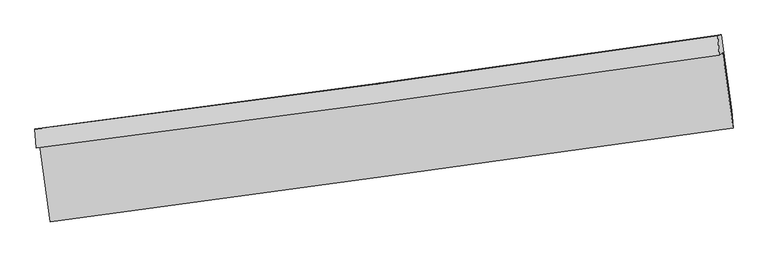
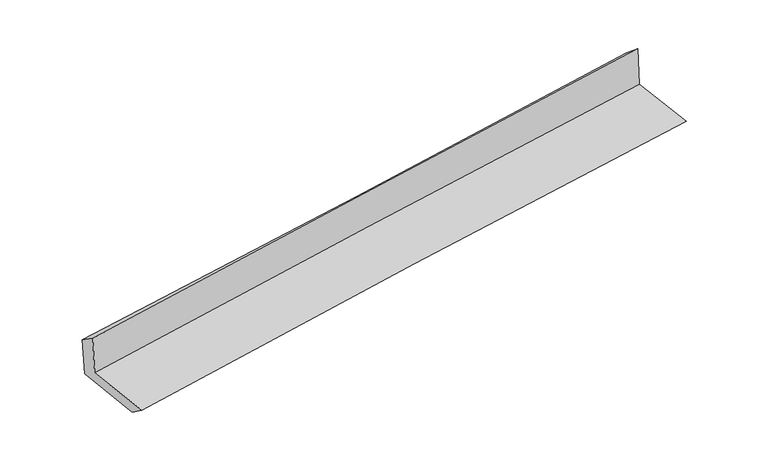
"""IFC4 building model written with IfcOpenShell, lengths in millimetres: proxy geometry."""

from ifc_helpers import new_model, si_unit, frame, origin, place, context, project, spatial, source, transform, mapped, element, save
from ifc_brep_helpers import plane_surface, spline_curve, spline_surface, advanced_brep


def generic_models_e439418d(model_context):
    return source(origin(), model_context, "Body", "AdvancedBrep", [
        advanced_brep(
        [(-2983.9770133, -1903.6698961, 1649.8322563), (-2892.3962936, -2564.8008225, 1623.1387927), (3030.6237904, -1750.0102674, 2116.5657694), (2939.4003601, -1097.0488513, 2142.8719446), (-3012.7604684, -1923.3239861, 2037.8642237), (2909.9668469, -1117.1468179, 2539.6673963), (-3025.9252538, -1758.9366654, 1925.9461669), (2898.1004912, -946.9082807, 2399.5611789), (-2996.7278649, -1753.0644089, 1555.8098145), (2927.6149327, -940.973244, 2025.5982995), (-2904.0560512, -2415.4042856, 1517.6687324), (3020.2703896, -1597.6245772, 1987.8408212)],
        [
            (0, 1),
            (1, 2, spline_curve(3, [(-2892.3962936, -2564.8008225, 1623.1387927), (-1905.967500947, -2433.811835733, 1722.535222488), (-919.16640704, -2300.417889107, 1813.352463541), (1055.173626265, -2028.821004371, 1977.828005258), (2042.712560094, -1890.618099638, 2051.486422899), (3030.6237904, -1750.0102674, 2116.5657694)], [4, 2, 4], [0.0, 9.84089023574916, 19.681713100901796])),
            (2, 3),
            (3, 0, spline_curve(3, [(2939.4003601, -1097.0488513, 2142.8719446), (1951.971840525, -1240.204493899, 2077.699356302), (964.644489128, -1379.000520537, 2004.026591061), (-1009.814636911, -1647.874261819, 1839.68014498), (-1996.946409861, -1777.951916811, 1749.006347247), (-2983.9770133, -1903.6698961, 1649.8322563)], [4, 2, 4], [0.0, 9.840822865152635, 19.681713100901796])),
            (4, 0),
            (3, 5),
            (5, 4, spline_curve(3, [(2909.9668469, -1117.1468179, 2539.6673963), (1923.109623972, -1259.912364263, 2466.79311474), (936.1220928, -1398.476352759, 2388.539204299), (-1038.120343642, -1667.202132891, 2221.271553743), (-2025.375251134, -1797.36386726, 2132.257739828), (-3012.7604684, -1923.3239861, 2037.8642237)], [4, 2, 4], [0.0, 9.840112835339534, 19.680293036414707])),
            (6, 4),
            (5, 7),
            (7, 6, spline_curve(3, [(2898.1004912, -946.9082807, 2399.5611789), (1912.071058155, -1091.942472857, 2320.681520987), (925.389221488, -1232.128385765, 2241.773909906), (-1049.286017811, -1502.804580561, 2083.902239498), (-2037.279429757, -1633.294795727, 2004.938180106), (-3025.9252538, -1758.9366654, 1925.9461669)], [4, 2, 4], [0.0, 9.839737685102989, 19.679542733373324])),
            (8, 6),
            (7, 9),
            (9, 8, spline_curve(3, [(2927.6149327, -940.973244, 2025.5982995), (1941.100597245, -1086.104789221, 1952.831904015), (954.14988755, -1226.344610571, 1877.299809391), (-1020.631039035, -1497.041732626, 1720.703685779), (-2008.461261892, -1627.498965954, 1639.639618542), (-2996.7278649, -1753.0644089, 1555.8098145)], [4, 2, 4], [0.0, 9.839615626325147, 19.679298614982024])),
            (10, 8),
            (9, 11),
            (11, 10, spline_curve(3, [(3020.2703896, -1597.6245772, 1987.8408212), (2033.066248932, -1738.767635111, 1915.294636545), (1045.771998623, -1877.487248215, 1839.840680718), (-929.003480289, -2150.080517273, 1683.116691015), (-1916.48471041, -2283.954140436, 1601.846617279), (-2904.0560512, -2415.4042856, 1517.6687324)], [4, 2, 4], [0.0, 9.84025133655134, 19.680570039786502])),
            (1, 10),
            (11, 2),
        ],
        [
            spline_surface(3, 3, [[(-2983.9770133, -1903.6698961, 1649.8322563), (-1996.946409699, -1777.951916834, 1749.006347211), (-1009.814636823, -1647.874261819, 1839.680144822), (964.644489041, -1379.000520537, 2004.02659122), (1951.971840608, -1240.204493931, 2077.699356343), (2939.4003601, -1097.0488513, 2142.8719446)], [(-2953.450106748, -2124.046871581, 1640.934435103), (-1966.620106815, -1996.571889867, 1740.182639026), (-979.598560204, -1865.388804237, 1830.904251099), (994.820868074, -1595.607348501, 1995.293729178), (1982.218747082, -1457.009029135, 2068.96171188), (2969.808170182, -1314.702656656, 2134.103219527)], [(-2922.923200152, -2344.423847019, 1632.036613897), (-1936.293803887, -2215.191862855, 1731.35893083), (-949.38248356, -2082.903346642, 1822.128357402), (1024.997247132, -1812.214176453, 1986.560867162), (2012.465653611, -1673.813564369, 2060.224067436), (3000.215980318, -1532.356462044, 2125.334494473)], [(-2892.3962936, -2564.8008225, 1623.1387927), (-1905.967501003, -2433.811835887, 1722.535222645), (-919.166406941, -2300.41788906, 1813.352463679), (1055.173626166, -2028.821004417, 1977.82800512), (2042.712560086, -1890.618099573, 2051.486422973), (3030.6237904, -1750.0102674, 2116.5657694)]], [4, 4], [4, 2, 4], [0.0, 2.158718216204151], [0.0, 9.84089023574916, 19.681713100901796]),
            spline_surface(3, 3, [[(-3012.7604684, -1923.3239861, 2037.8642237), (-2025.375251082, -1797.363867386, 2132.257739859), (-1038.120343739, -1667.202132952, 2221.271553762), (936.122092898, -1398.476352698, 2388.53920428), (1923.109624014, -1259.912364384, 2466.793114625), (2909.9668469, -1117.1468179, 2539.6673963)], [(-3003.165983378, -1916.772622769, 1908.520234539), (-2015.898970632, -1790.893217205, 2004.507275615), (-1028.685108078, -1660.759509217, 2094.074417467), (945.629558301, -1391.98440862, 2260.368333278), (1932.730362892, -1253.343074239, 2337.09519521), (2919.778017981, -1110.447495706, 2407.402245746)], [(-2993.571498322, -1910.221259431, 1779.176245461), (-2006.422690149, -1784.422567016, 1876.756811455), (-1019.249872485, -1654.316885554, 1966.877281117), (955.137023637, -1385.492464614, 2132.197462221), (1942.351101729, -1246.773784076, 2207.397275757), (2929.589189019, -1103.748173494, 2275.137095154)], [(-2983.9770133, -1903.6698961, 1649.8322563), (-1996.946409699, -1777.951916834, 1749.006347211), (-1009.814636823, -1647.874261819, 1839.680144822), (964.644489041, -1379.000520537, 2004.02659122), (1951.971840608, -1240.204493931, 2077.699356343), (2939.4003601, -1097.0488513, 2142.8719446)]], [4, 4], [4, 2, 4], [0.0, 1.2617916828351192], [0.0, 9.840180201075173, 19.680293036414707]),
            spline_surface(3, 3, [[(-3025.9252538, -1758.9366654, 1925.9461669), (-2037.279429619, -1633.294795636, 2004.938180214), (-1049.286017852, -1502.804580482, 2083.90223955), (925.389221529, -1232.128385844, 2241.773909855), (1912.071058135, -1091.942472808, 2320.681521143), (2898.1004912, -946.9082807, 2399.5611789)], [(-3021.536992, -1813.732438956, 1963.252185857), (-2033.311370107, -1687.984486208, 2047.378033452), (-1045.564126502, -1557.603764651, 2129.69201096), (928.966845297, -1287.577708141, 2290.695674669), (1915.750580102, -1147.932436685, 2369.385385615), (2902.055943107, -1003.654459785, 2446.263251344)], [(-3017.1487302, -1868.528212544, 2000.558204743), (-2029.343310594, -1742.674176814, 2089.817886621), (-1041.842235088, -1612.402948783, 2175.481782352), (932.54446913, -1343.0270304, 2339.617439465), (1919.430102047, -1203.922400507, 2418.089250154), (2906.011394993, -1060.400638815, 2492.965323856)], [(-3012.7604684, -1923.3239861, 2037.8642237), (-2025.375251082, -1797.363867386, 2132.257739859), (-1038.120343739, -1667.202132952, 2221.271553762), (936.122092898, -1398.476352698, 2388.53920428), (1923.109624014, -1259.912364384, 2466.793114625), (2909.9668469, -1117.1468179, 2539.6673963)]], [4, 4], [4, 2, 4], [0.0, 0.716179198156274], [0.0, 9.839805048270335, 19.679542733373324]),
            spline_surface(3, 3, [[(-2996.7278649, -1753.0644089, 1555.8098145), (-2008.461261989, -1627.498966073, 1639.639618634), (-1020.631039022, -1497.041732582, 1720.70368568), (954.149887537, -1226.344610615, 1877.299809491), (1941.100597102, -1086.104789184, 1952.831904087), (2927.6149327, -940.973244, 2025.5982995)], [(-3006.460327846, -1755.021827734, 1679.188598628), (-2018.067317845, -1629.430909262, 1761.405805822), (-1030.182698627, -1498.962681898, 1841.769870303), (944.562998872, -1228.272535707, 1998.791176278), (1931.424084114, -1088.050683726, 2075.448443109), (2917.776785534, -942.951589567, 2150.252592637)], [(-3016.192790854, -1756.979246566, 1802.567382772), (-2027.673373763, -1631.362852448, 1883.171993026), (-1039.734358246, -1500.883631167, 1962.836054927), (934.976110194, -1230.200460752, 2120.282543067), (1921.747571124, -1089.996578266, 2198.064982121), (2907.938638366, -944.929935133, 2274.906885763)], [(-3025.9252538, -1758.9366654, 1925.9461669), (-2037.279429619, -1633.294795636, 2004.938180214), (-1049.286017852, -1502.804580482, 2083.90223955), (925.389221529, -1232.128385844, 2241.773909855), (1912.071058135, -1091.942472808, 2320.681521143), (2898.1004912, -946.9082807, 2399.5611789)]], [4, 4], [4, 2, 4], [0.0, 1.1975485373787582], [0.0, 9.839682988656877, 19.679298614982024]),
            spline_surface(3, 3, [[(-2904.0560512, -2415.4042856, 1517.6687324), (-1916.484710424, -2283.954140534, 1601.846617124), (-929.003480344, -2150.080517395, 1683.116690963), (1045.771998678, -1877.487248093, 1839.84068077), (2033.066248888, -1738.767635071, 1915.29463649), (3020.2703896, -1597.6245772, 1987.8408212)], [(-2934.946655777, -2194.624326719, 1530.382426446), (-1947.143560955, -2065.135749066, 1614.444284306), (-959.54599989, -1932.400922452, 1695.645689178), (1015.231294977, -1660.439702262, 1852.327056986), (2002.411031628, -1521.213353091, 1927.807059027), (2989.385237302, -1378.740799449, 2000.426647305)], [(-2965.837260323, -1973.844367781, 1543.096120454), (-1977.802411457, -1846.317357542, 1627.041951451), (-990.088519475, -1714.721327525, 1708.174687465), (984.690591238, -1443.392156447, 1864.813433274), (1971.755814362, -1303.659071164, 1940.319481549), (2958.500084998, -1159.857021751, 2013.012473395)], [(-2996.7278649, -1753.0644089, 1555.8098145), (-2008.461261989, -1627.498966073, 1639.639618634), (-1020.631039022, -1497.041732582, 1720.70368568), (954.149887537, -1226.344610615, 1877.299809491), (1941.100597102, -1086.104789184, 1952.831904087), (2927.6149327, -940.973244, 2025.5982995)]], [4, 4], [4, 2, 4], [0.0, 2.1639256864602485], [0.0, 9.840318703235162, 19.680570039786502]),
            spline_surface(3, 3, [[(-2892.3962936, -2564.8008225, 1623.1387927), (-1905.967501003, -2433.811835887, 1722.535222645), (-919.166406941, -2300.41788906, 1813.352463679), (1055.173626166, -2028.821004417, 1977.82800512), (2042.712560086, -1890.618099573, 2051.486422973), (3030.6237904, -1750.0102674, 2116.5657694)], [(-2896.282879452, -2515.001976841, 1587.982105928), (-1909.473237462, -2383.859270744, 1682.305687466), (-922.445431419, -2250.305431836, 1769.940539449), (1052.039750326, -1978.376418973, 1931.832230345), (2039.497123014, -1840.001278075, 2006.08916082), (3027.172656794, -1699.215037336, 2073.657453341)], [(-2900.169465348, -2465.203131259, 1552.825419172), (-1912.978973965, -2333.906705678, 1642.076152303), (-925.724455865, -2200.192974619, 1726.528615194), (1048.905874518, -1927.931833537, 1885.836455545), (2036.281685959, -1789.384456569, 1960.691898643), (3023.721523206, -1648.419807264, 2030.749137259)], [(-2904.0560512, -2415.4042856, 1517.6687324), (-1916.484710424, -2283.954140534, 1601.846617124), (-929.003480344, -2150.080517395, 1683.116690963), (1045.771998678, -1877.487248093, 1839.84068077), (2033.066248888, -1738.767635071, 1915.29463649), (3020.2703896, -1597.6245772, 1987.8408212)]], [4, 4], [4, 2, 4], [0.0, 0.6629391332837699], [0.0, 9.84115194154477, 19.68223651070138]),
            plane_surface(frame((2954.3294685, -1241.6186731, 2202.0175683), z_axis=(0.9876374016807143, 0.1347536057563868, 0.080086381720115), x_axis=(-0.078668945625408, -0.015819478733021225, 0.9967752711051785))),
            plane_surface(frame((-2969.3071575, -2053.2000108, 1718.3766644), z_axis=(-0.9877979653557046, -0.13359941983593404, -0.08003983170042339), x_axis=(-0.13710154504036798, 0.9897505919384713, 0.03996163291195448))),
        ],
        [
            (0, [[1, 2, 3, 4]]),
            (1, [[5, -4, 6, 7]]),
            (2, [[8, -7, 9, 10]]),
            (3, [[11, -10, 12, 13]]),
            (4, [[14, -13, 15, 16]]),
            (5, [[17, -16, 18, -2]]),
            (6, [[-12, -9, -6, -3, -18, -15]]),
            (7, [[-1, -5, -8, -11, -14, -17]]),
        ],
    ),
    ])


if __name__ == "__main__":
    model = new_model("IFC4")
    model_context = context("Model", 3, world=origin())
    ifc_project = project(units=[si_unit("LENGTHUNIT", "METRE", prefix="MILLI")], contexts=[model_context])
    site = spatial("IfcSite", under=ifc_project)
    building = spatial("IfcBuilding", under=site)
    placement = place(None, origin())
    generic_models_shape = generic_models_e439418d(model_context)
    element("IfcBuildingElementProxy", 1, Name="Generic Models", at=placement, inside=building, context=model_context, shape_type="MappedRepresentation", body=[
        mapped(generic_models_shape, transform((0.0, 0.0, 0.0), x_axis=(1.0, 0.0, 0.0), y_axis=(0.0, 1.0, 0.0), z_axis=(0.0, 0.0, 1.0))),
    ])
    save(model, "model.ifc")
